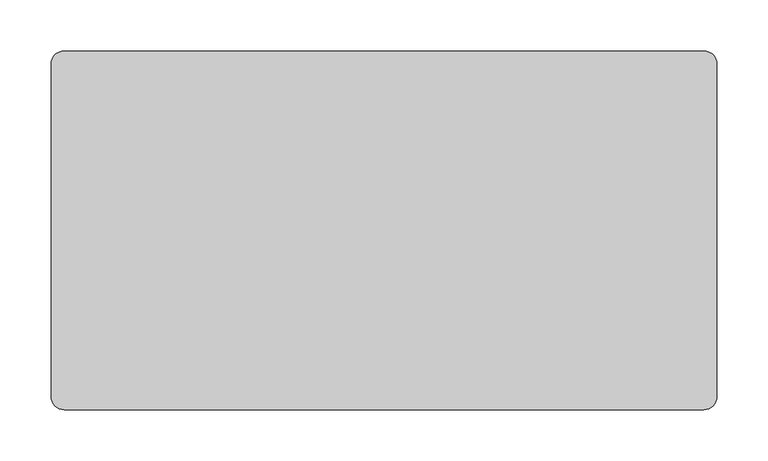
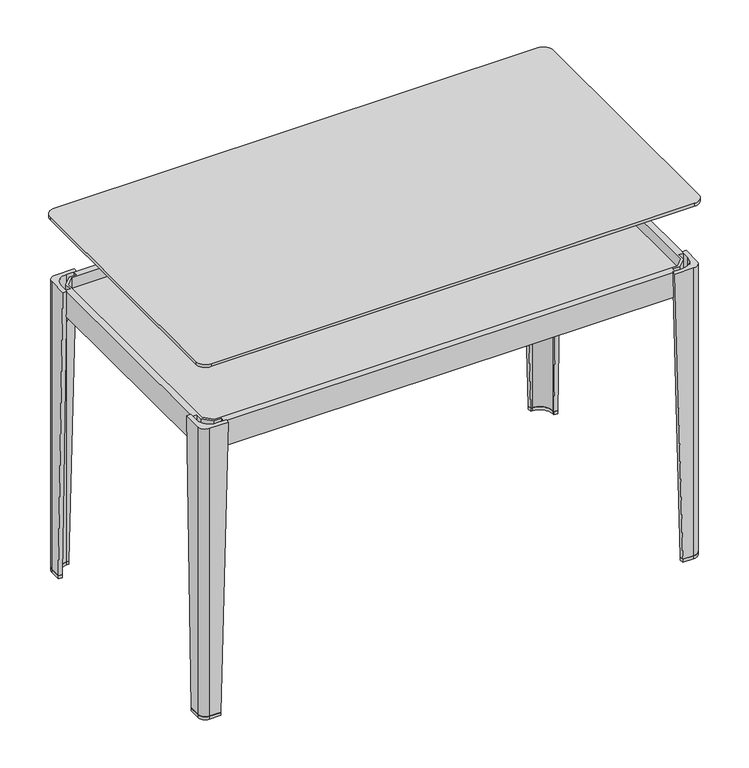
"""IFC4 building model written with IfcOpenShell, lengths in millimetres: furniture geometry."""

import ifcopenshell
import ifcopenshell.guid

model = None  # the IFC model being written
_history = None  # IfcOwnerHistory: only IFC2X3 demands one
_inside = {}  # id of a spatial element -> (the spatial element, [elements in it])
_under = {}  # id of a project, library or spatial element -> (it, [spatial elements below it])
_declared = {}  # id of a project -> (the project, [libraries it declares])
_typed = {}  # id of a type object -> (the type object, [elements of that type])
_made_of = {}  # id of a material, layer set ... -> (it, [elements and type objects made of it])


def new_model(schema):
    """Start an empty IFC model of exactly this schema.

    Asked for "IFC4X3", IfcOpenShell would pick the latest addendum, in which some entities
    have other attributes; the version numbers below select the first issue.
    IFC2X3 requires an IfcOwnerHistory on every rooted entity: one is made here for all.
    """
    global model, _history
    if schema == "IFC4X3":
        model = ifcopenshell.file(schema_version=(4, 3, 0, 0))
    else:
        model = ifcopenshell.file(schema=schema)
    _inside.clear()
    _under.clear()
    _declared.clear()
    _typed.clear()
    _made_of.clear()
    _history = None
    if model.schema == "IFC2X3":
        org = make("IfcOrganization", Name="unknown")
        user = make(
            "IfcPersonAndOrganization",
            ThePerson=make("IfcPerson", FamilyName="unknown"),
            TheOrganization=org,
        )
        app = make(
            "IfcApplication",
            ApplicationDeveloper=org,
            Version="unknown",
            ApplicationFullName="unknown",
            ApplicationIdentifier="unknown",
        )
        _history = make(
            "IfcOwnerHistory",
            OwningUser=user,
            OwningApplication=app,
            ChangeAction="ADDED",
            CreationDate=0,
        )
    return model


def make(cls, **values):
    """One entity of the class cls with the attributes given. An attribute that is None is left unset."""
    return model.create_entity(
        cls, **{name: value for name, value in values.items() if value is not None}
    )


def rooted(cls, **values):
    """An entity with a GlobalId (a new one), such as an element, a storey or a relation."""
    return make(cls, GlobalId=ifcopenshell.guid.new(), OwnerHistory=_history, **values)


def si_unit(unit_type, name, prefix=None):
    """IfcSIUnit, for example si_unit("LENGTHUNIT", "METRE", prefix="MILLI")."""
    return make("IfcSIUnit", UnitType=unit_type, Prefix=prefix, Name=name)


def assignment(units):
    """IfcUnitAssignment: the units of a project."""
    return None if units is None else make("IfcUnitAssignment", Units=units)


def point(xyz):
    """IfcCartesianPoint."""
    return None if xyz is None else make("IfcCartesianPoint", Coordinates=xyz)


def direction(xyz):
    """IfcDirection."""
    return None if xyz is None else make("IfcDirection", DirectionRatios=xyz)


def frame(location, z_axis=None, x_axis=None):
    """IfcAxis2Placement3D, a coordinate frame: its origin and axes. An axis left out is left unset."""
    return make(
        "IfcAxis2Placement3D",
        Location=point(location),
        Axis=direction(z_axis),
        RefDirection=direction(x_axis),
    )


def frame_2d(location, x_axis=None):
    """IfcAxis2Placement2D, a coordinate frame in the plane: its origin and x axis."""
    return make(
        "IfcAxis2Placement2D", Location=point(location), RefDirection=direction(x_axis)
    )


def origin():
    """The frame at (0, 0, 0) with its axes left unset."""
    return frame((0.0, 0.0, 0.0))


def place(relative_to, where):
    """IfcLocalPlacement: puts the frame where relative to a parent placement (None: the world)."""
    return make(
        "IfcLocalPlacement", PlacementRelTo=relative_to, RelativePlacement=where
    )


def context(
    kind, dimensions, precision=None, world=None, true_north=None, identifier=None
):
    """IfcGeometricRepresentationContext, for example the 3D "Model" context."""
    return make(
        "IfcGeometricRepresentationContext",
        ContextIdentifier=identifier,
        ContextType=kind,
        CoordinateSpaceDimension=dimensions,
        Precision=precision,
        WorldCoordinateSystem=world,
        TrueNorth=true_north,
    )


def project(units=None, contexts=None):
    """IfcProject with its units and contexts."""
    return rooted(
        "IfcProject",
        Name="project",
        RepresentationContexts=contexts,
        UnitsInContext=assignment(units),
    )


def spatial(cls, under=None, at=None, **own):
    """A site, building, storey or space (cls), placed at a placement, below another one or the project."""
    s = rooted(cls, ObjectPlacement=at, **own)
    if under is not None:
        _under.setdefault(under.id(), (under, []))[1].append(s)
    return s


def polyline(points):
    """IfcPolyline through the points."""
    return make("IfcPolyline", Points=[point(p) for p in points])


def circle_curve(where, radius):
    """IfcCircle in the frame where."""
    return make("IfcCircle", Position=where, Radius=radius)


def trimmed(basis, trim1, trim2, sense, master):
    """IfcTrimmedCurve: the piece of a basis curve between two trims."""
    return make(
        "IfcTrimmedCurve",
        BasisCurve=basis,
        Trim1=trim1,
        Trim2=trim2,
        SenseAgreement=sense,
        MasterRepresentation=master,
    )


def segment(curve, same_sense, transition):
    """IfcCompositeCurveSegment."""
    return make(
        "IfcCompositeCurveSegment",
        Transition=transition,
        SameSense=same_sense,
        ParentCurve=curve,
    )


def composite_curve(segments, self_intersect=None):
    """IfcCompositeCurve: segments joined end to end."""
    return make("IfcCompositeCurve", Segments=segments, SelfIntersect=self_intersect)


def outline(outer, holes=None, kind="AREA"):
    """IfcArbitraryClosedProfileDef: a profile drawn as a closed curve; with holes, ...WithVoids."""
    if holes is None:
        return make("IfcArbitraryClosedProfileDef", ProfileType=kind, OuterCurve=outer)
    return make(
        "IfcArbitraryProfileDefWithVoids",
        ProfileType=kind,
        OuterCurve=outer,
        InnerCurves=holes,
    )


def extrude(swept, where, along, depth):
    """IfcExtrudedAreaSolid: the profile swept, set in the frame where, extruded along a direction by depth."""
    return make(
        "IfcExtrudedAreaSolid",
        SweptArea=swept,
        Position=where,
        ExtrudedDirection=direction(along),
        Depth=depth,
    )


def shape(context_of_items, identifier, shape_type, items):
    """IfcShapeRepresentation: the items that make up one representation, for example the "Body"."""
    return make(
        "IfcShapeRepresentation",
        ContextOfItems=context_of_items,
        RepresentationIdentifier=identifier,
        RepresentationType=shape_type,
        Items=items,
    )


def source(mapping_origin, context_of_items, identifier, shape_type, items):
    """IfcRepresentationMap: a shape defined once, which mapped items show again and again."""
    return make(
        "IfcRepresentationMap",
        MappingOrigin=mapping_origin,
        MappedRepresentation=shape(context_of_items, identifier, shape_type, items),
    )


def transform(
    local_origin,
    x_axis=None,
    y_axis=None,
    z_axis=None,
    scale=None,
    scale2=None,
    scale3=None,
    uniform=True,
):
    """IfcCartesianTransformationOperator3D, or its non-uniform kind. x_axis, y_axis, z_axis: its Axis1, 2, 3."""
    if uniform:
        return make(
            "IfcCartesianTransformationOperator3D",
            Axis1=direction(x_axis),
            Axis2=direction(y_axis),
            LocalOrigin=point(local_origin),
            Scale=scale,
            Axis3=direction(z_axis),
        )
    return make(
        "IfcCartesianTransformationOperator3DnonUniform",
        Axis1=direction(x_axis),
        Axis2=direction(y_axis),
        LocalOrigin=point(local_origin),
        Scale=scale,
        Axis3=direction(z_axis),
        Scale2=scale2,
        Scale3=scale3,
    )


def mapped(mapping_source, mapping_target):
    """IfcMappedItem: shows the shape of a source again, moved by a transform."""
    return make(
        "IfcMappedItem", MappingSource=mapping_source, MappingTarget=mapping_target
    )


def made_of(thing, what):
    """Note that an element or type object is made of a material, layer set ...; save() writes the relation."""
    if what is not None:
        _made_of.setdefault(what.id(), (what, []))[1].append(thing)
    return thing


def element(
    cls,
    number,
    at=None,
    inside=None,
    cuts=None,
    type_object=None,
    material=None,
    context=None,
    identifier="Body",
    shape_type=None,
    held_by="IfcProductDefinitionShape",
    body=None,
    shapes=None,
    **own,
):
    """One element of the class cls, such as IfcWall. Its Tag is "e" and its number.

    at: its placement. inside: the storey or other place that contains it. cuts: it is an
    opening in that element (IfcRelVoidsElement). A single representation is given by context,
    identifier, shape_type and body (its items); several are given by shapes. held_by: the class
    of the entity that holds the representations. save() writes the other relations.
    """
    e = rooted(cls, Tag="e%d" % number, ObjectPlacement=at, **own)
    if body is not None:
        shapes = [shape(context, identifier, shape_type, body)]
    if shapes is not None:
        e.Representation = make(held_by, Representations=shapes)
    if inside is not None:
        _inside.setdefault(inside.id(), (inside, []))[1].append(e)
    if cuts is not None:
        rooted(
            "IfcRelVoidsElement", RelatingBuildingElement=cuts, RelatedOpeningElement=e
        )
    if type_object is not None:
        _typed.setdefault(type_object.id(), (type_object, []))[1].append(e)
    return made_of(e, material)


def aggregate(whole, parts):
    """IfcRelAggregates: a whole, such as a stair, and the parts it consists of."""
    return rooted("IfcRelAggregates", RelatingObject=whole, RelatedObjects=parts)


def save(model, path):
    """Write the relations noted so far, then the file.

    IfcRelAggregates (storeys below a building ...), IfcRelContainedInSpatialStructure (elements
    in a storey), IfcRelDefinesByType, IfcRelAssociatesMaterial and IfcRelDeclares: one each for
    every whole, place, type object, material and project.
    """
    for whole, parts in _under.values():
        aggregate(whole, parts)
    for where, things in _inside.values():
        rooted(
            "IfcRelContainedInSpatialStructure",
            RelatedElements=things,
            RelatingStructure=where,
        )
    for kind, things in _typed.values():
        rooted("IfcRelDefinesByType", RelatedObjects=things, RelatingType=kind)
    for what, things in _made_of.values():
        rooted("IfcRelAssociatesMaterial", RelatedObjects=things, RelatingMaterial=what)
    for by, libraries in _declared.values():
        rooted("IfcRelDeclares", RelatingContext=by, RelatedDefinitions=libraries)
    model.write(path)


def plane_surface(at):
    """IfcPlane: the flat surface through the origin of the frame at, square to its z axis."""
    return make("IfcPlane", Position=at)


def cylinder_surface(at, radius):
    """IfcCylindricalSurface: all points at the distance radius from the z axis of the frame at."""
    return make("IfcCylindricalSurface", Position=at, Radius=radius)


def revolved_surface(curve, axis_point, axis_direction):
    """IfcSurfaceOfRevolution: the curve turned about the line through axis_point along axis_direction."""
    return make(
        "IfcSurfaceOfRevolution",
        SweptCurve=make("IfcArbitraryOpenProfileDef", ProfileType="CURVE", Curve=curve),
        AxisPosition=make("IfcAxis1Placement", Location=point(axis_point), Axis=direction(axis_direction)),
    )


def advanced_brep(points, edges, surfaces, faces):
    """IfcAdvancedBrep: a solid bounded by faces that lie on surfaces and meet in shared edges.

    An edge is (start, end): straight between two places in points (the first is 0);
    or (start, end, curve); or (start, end, curve, False) where it runs against its curve.
    A face is (place in surfaces, loops), or (place, loops, False) where it looks against
    its surface's normal. A loop lists edges by number (the first is 1), with a minus sign
    where the edge is run from its end to its start. The first loop is the outer one.
    """
    corners = [point(p) for p in points]
    vertices = [make("IfcVertexPoint", VertexGeometry=c) for c in corners]
    made = []
    for start, end, *more in edges:
        made.append(
            make(
                "IfcEdgeCurve",
                EdgeStart=vertices[start],
                EdgeEnd=vertices[end],
                EdgeGeometry=more[0] if more else make("IfcPolyline", Points=[corners[start], corners[end]]),
                SameSense=more[1] if len(more) > 1 else True,
            )
        )
    hull = []
    for where, loops, *sense in faces:
        bounds = []
        for j, loop in enumerate(loops):
            ring = [make("IfcOrientedEdge", EdgeElement=made[abs(k) - 1], Orientation=k > 0) for k in loop]
            bounds.append(
                make(
                    "IfcFaceOuterBound" if j == 0 else "IfcFaceBound",
                    Bound=make("IfcEdgeLoop", EdgeList=ring),
                    Orientation=True,
                )
            )
        hull.append(make("IfcAdvancedFace", Bounds=bounds, FaceSurface=surfaces[where], SameSense=sense[0] if sense else True))
    return make("IfcAdvancedBrep", Outer=make("IfcClosedShell", CfsFaces=hull))


def furniture_ca3171ab(model_context):
    return source(origin(), model_context, "Body", "SolidModel", [
        advanced_brep(
        [(156.1747115, -150.3399901, 276.4600147), (162.174712, -150.3399901, 276.4600147), (162.174712, -141.2900835, 276.4600147), (145.2247824, -124.3400512, 276.4600147), (136.1747127, -124.3399964, 276.4600147), (136.1747127, -130.3400481, 276.4600147), (145.5681096, -130.3400481, 276.4600147), (156.1747115, -140.9465954, 276.4600147), (156.1747115, -142.5065293, 261.4600037), (156.1747115, -140.9465954, 261.4600037), (145.5681096, -130.3400481, 261.4600037), (144.0082257, -130.3400481, 261.4600037), (144.0082257, -124.3400439, 261.4600037), (145.2247824, -124.3400512, 261.4600037), (162.174712, -141.2900835, 261.4600037), (162.174712, -142.5065293, 261.4600037)],
        [
            (0, 1),
            (1, 2),
            (2, 3, circle_curve(frame((145.2246797, -141.2900835, 276.4600147), z_axis=(0.0, 0.0, 1.0), x_axis=(0.0, 1.0, 0.0)), 16.9500323)),
            (3, 4),
            (4, 5),
            (5, 6),
            (6, 7),
            (7, 0),
            (8, 9),
            (9, 10),
            (10, 11),
            (11, 12),
            (12, 13),
            (13, 14, circle_curve(frame((145.2246797, -141.2900835, 261.4600037), z_axis=(0.0, 0.0, -1.0), x_axis=(0.0, 1.0, 0.0)), 16.9500323)),
            (14, 15),
            (15, 8),
            (15, 1),
            (0, 8),
            (14, 2),
            (13, 3),
            (12, 4),
            (11, 5),
            (10, 6),
            (9, 7),
        ],
        [
            plane_surface(frame((149.9801455, -136.5346004, 276.4600147), z_axis=(0.0, 0.0, 1.0), x_axis=(1.0, 0.0, 0.0))),
            plane_surface(frame((151.9385238, -134.5762411, 261.4600037), z_axis=(0.0, 0.0, -1.0), x_axis=(1.0, 0.0, 0.0))),
            plane_surface(frame((159.1747117, -142.5065293, 261.4600037), z_axis=(0.0, -0.8864062173017687, -0.46290821760773443), x_axis=(1.0, 0.0, 0.0))),
            plane_surface(frame((162.174712, -141.8983064, 261.4600037), z_axis=(1.0, 0.0, 0.0), x_axis=(0.0, 1.0, 0.0))),
            cylinder_surface(frame((145.2246797, -141.2900835, 261.4600037), z_axis=(0.0, 0.0, 1.0), x_axis=(0.0, 1.0, 0.0)), 16.9500323),
            plane_surface(frame((144.6165041, -124.3400475, 261.4600037), z_axis=(6.055831599460142e-06, 0.9999999999816634, 0.0), x_axis=(-0.9999999999816634, 6.055831599460142e-06, 0.0))),
            plane_surface(frame((144.0082257, -127.340046, 261.4600037), z_axis=(-0.8864049508100555, 0.0, -0.46291064275886235), x_axis=(0.0, -1.0, 0.0))),
            plane_surface(frame((144.7881677, -130.3400481, 261.4600037), z_axis=(0.0, -1.0, 0.0), x_axis=(1.0, 0.0, 0.0))),
            plane_surface(frame((150.8714105, -135.6433217, 261.4600037), z_axis=(-0.7071049644303125, -0.7071085979381149, 0.0), x_axis=(0.7071085979381149, -0.7071049644303125, 0.0))),
            plane_surface(frame((156.1747115, -141.7265623, 261.4600037), z_axis=(-1.0, 0.0, 0.0), x_axis=(0.0, -1.0, 0.0))),
        ],
        [
            (0, [[1, 2, 3, 4, 5, 6, 7, 8]]),
            (1, [[9, 10, 11, 12, 13, 14, 15, 16]]),
            (2, [[-16, 17, -1, 18]]),
            (3, [[-15, 19, -2, -17]]),
            (4, [[-14, 20, -3, -19]]),
            (5, [[-13, 21, -4, -20]]),
            (6, [[-12, 22, -5, -21]]),
            (7, [[-11, 23, -6, -22]]),
            (8, [[-10, 24, -7, -23]]),
            (9, [[-9, -18, -8, -24]]),
        ],
    ),
        advanced_brep(
        [(-467.0652878, -150.3399901, 276.4600147), (-467.0652878, -140.9465954, 276.4600147), (-456.4586859, -130.3400481, 276.4600147), (-447.065289, -130.3400481, 276.4600147), (-447.065289, -124.3399964, 276.4600147), (-456.1153587, -124.3400512, 276.4600147), (-473.0652883, -141.2900835, 276.4600147), (-473.0652883, -150.3399901, 276.4600147), (-467.0652878, -142.5065293, 261.4600037), (-473.0652883, -142.5065293, 261.4600037), (-473.0652883, -141.2900835, 261.4600037), (-456.1153587, -124.3400512, 261.4600037), (-454.898802, -124.3400439, 261.4600037), (-454.898802, -130.3400481, 261.4600037), (-456.4586859, -130.3400481, 261.4600037), (-467.0652878, -140.9465954, 261.4600037)],
        [
            (0, 1),
            (1, 2),
            (2, 3),
            (3, 4),
            (4, 5),
            (5, 6, circle_curve(frame((-456.115256, -141.2900835, 276.4600147), z_axis=(0.0, 0.0, 1.0), x_axis=(-0.9999999999816634, -6.055831308072628e-06, 0.0)), 16.9500323)),
            (6, 7),
            (7, 0),
            (8, 9),
            (9, 10),
            (10, 11, circle_curve(frame((-456.115256, -141.2900835, 261.4600037), z_axis=(0.0, 0.0, -1.0), x_axis=(-0.9999999999816634, -6.055831308072628e-06, 0.0)), 16.9500323)),
            (11, 12),
            (12, 13),
            (13, 14),
            (14, 15),
            (15, 8),
            (8, 0),
            (7, 9),
            (6, 10),
            (5, 11),
            (4, 12),
            (3, 13),
            (2, 14),
            (1, 15),
        ],
        [
            plane_surface(frame((-460.8707218, -136.5346004, 276.4600147), z_axis=(0.0, 0.0, 1.0), x_axis=(0.0, 1.0, 0.0))),
            plane_surface(frame((-462.8291001, -134.5762411, 261.4600037), z_axis=(0.0, 0.0, -1.0), x_axis=(0.0, 1.0, 0.0))),
            plane_surface(frame((-470.065288, -142.5065293, 261.4600037), z_axis=(0.0, -0.8864062173018147, -0.46290821760764644), x_axis=(1.0, 0.0, 0.0))),
            plane_surface(frame((-473.0652883, -141.8983064, 261.4600037), z_axis=(-1.0, 0.0, 0.0), x_axis=(0.0, -1.0, 0.0))),
            cylinder_surface(frame((-456.115256, -141.2900835, 261.4600037), z_axis=(0.0, 0.0, 1.0), x_axis=(-0.9999999999816634, -6.055831308072628e-06, 0.0)), 16.9500323),
            plane_surface(frame((-455.5070804, -124.3400475, 261.4600037), z_axis=(-6.05583151719894e-06, 0.9999999999816634, 0.0), x_axis=(-0.9999999999816634, -6.05583151719894e-06, 0.0))),
            plane_surface(frame((-454.898802, -127.340046, 261.4600037), z_axis=(0.8864049508100531, 0.0, -0.4629106427588671), x_axis=(0.0, 1.0, 0.0))),
            plane_surface(frame((-455.678744, -130.3400481, 261.4600037), z_axis=(0.0, -1.0, 0.0), x_axis=(1.0, 0.0, 0.0))),
            plane_surface(frame((-461.7619868, -135.6433217, 261.4600037), z_axis=(0.7071049644302342, -0.7071085979381933, 0.0), x_axis=(0.7071085979381933, 0.7071049644302342, 0.0))),
            plane_surface(frame((-467.0652878, -141.7265623, 261.4600037), z_axis=(1.0, 0.0, 0.0), x_axis=(0.0, 1.0, 0.0))),
        ],
        [
            (0, [[1, 2, 3, 4, 5, 6, 7, 8]]),
            (1, [[9, 10, 11, 12, 13, 14, 15, 16]]),
            (2, [[-9, 17, -8, 18]]),
            (3, [[-10, -18, -7, 19]]),
            (4, [[-11, -19, -6, 20]]),
            (5, [[-12, -20, -5, 21]]),
            (6, [[-13, -21, -4, 22]]),
            (7, [[-14, -22, -3, 23]]),
            (8, [[-15, -23, -2, 24]]),
            (9, [[-16, -24, -1, -17]]),
        ],
    ),
        advanced_brep(
        [(156.1747115, -433.8600099, 276.4600147), (156.1747115, -443.2534046, 276.4600147), (145.5681096, -453.8599519, 276.4600147), (136.1747127, -453.8599519, 276.4600147), (136.1747127, -459.8600036, 276.4600147), (145.2247824, -459.8599488, 276.4600147), (162.174712, -442.9099165, 276.4600147), (162.174712, -433.8600099, 276.4600147), (156.1747115, -441.6934707, 261.4600037), (162.174712, -441.6934707, 261.4600037), (162.174712, -442.9099165, 261.4600037), (145.2247824, -459.8599488, 261.4600037), (144.0082257, -459.8599561, 261.4600037), (144.0082257, -453.8599519, 261.4600037), (145.5681096, -453.8599519, 261.4600037), (156.1747115, -443.2534046, 261.4600037)],
        [
            (0, 1),
            (1, 2),
            (2, 3),
            (3, 4),
            (4, 5),
            (5, 6, circle_curve(frame((145.2246797, -442.9099165, 276.4600147), z_axis=(0.0, 0.0, 1.0), x_axis=(0.9999999999816634, 6.055831301732914e-06, 0.0)), 16.9500323)),
            (6, 7),
            (7, 0),
            (8, 9),
            (9, 10),
            (10, 11, circle_curve(frame((145.2246797, -442.9099165, 261.4600037), z_axis=(0.0, 0.0, -1.0), x_axis=(0.9999999999816634, 6.055831301732914e-06, 0.0)), 16.9500323)),
            (11, 12),
            (12, 13),
            (13, 14),
            (14, 15),
            (15, 8),
            (8, 0),
            (7, 9),
            (6, 10),
            (5, 11),
            (4, 12),
            (3, 13),
            (2, 14),
            (1, 15),
        ],
        [
            plane_surface(frame((149.9801455, -447.6653996, 276.4600147), z_axis=(0.0, 0.0, 1.0), x_axis=(0.0, -1.0, 0.0))),
            plane_surface(frame((151.9385238, -449.6237589, 261.4600037), z_axis=(0.0, 0.0, -1.0), x_axis=(0.0, -1.0, 0.0))),
            plane_surface(frame((159.1747117, -441.6934707, 261.4600037), z_axis=(0.0, 0.8864062173018016, -0.4629082176076716), x_axis=(-1.0, 0.0, 0.0))),
            plane_surface(frame((162.174712, -442.3016936, 261.4600037), z_axis=(1.0, 0.0, 0.0), x_axis=(0.0, 1.0, 0.0))),
            cylinder_surface(frame((145.2246797, -442.9099165, 261.4600037), z_axis=(0.0, 0.0, 1.0), x_axis=(0.9999999999816634, 6.055831301732914e-06, 0.0)), 16.9500323),
            plane_surface(frame((144.6165041, -459.8599525, 261.4600037), z_axis=(6.0558315620688244e-06, -0.9999999999816636, 0.0), x_axis=(0.9999999999816636, 6.0558315620688244e-06, 0.0))),
            plane_surface(frame((144.0082257, -456.859954, 261.4600037), z_axis=(-0.8864049508100555, 0.0, -0.46291064275886235), x_axis=(0.0, -1.0, 0.0))),
            plane_surface(frame((144.7881677, -453.8599519, 261.4600037), z_axis=(0.0, 1.0, 0.0), x_axis=(-1.0, 0.0, 0.0))),
            plane_surface(frame((150.8714105, -448.5566783, 261.4600037), z_axis=(-0.7071049644302505, 0.7071085979381769, 0.0), x_axis=(-0.7071085979381769, -0.7071049644302505, 0.0))),
            plane_surface(frame((156.1747115, -442.4734377, 261.4600037), z_axis=(-1.0, 0.0, 0.0), x_axis=(0.0, -1.0, 0.0))),
        ],
        [
            (0, [[1, 2, 3, 4, 5, 6, 7, 8]]),
            (1, [[9, 10, 11, 12, 13, 14, 15, 16]]),
            (2, [[-9, 17, -8, 18]]),
            (3, [[-10, -18, -7, 19]]),
            (4, [[-11, -19, -6, 20]]),
            (5, [[-12, -20, -5, 21]]),
            (6, [[-13, -21, -4, 22]]),
            (7, [[-14, -22, -3, 23]]),
            (8, [[-15, -23, -2, 24]]),
            (9, [[-16, -24, -1, -17]]),
        ],
    ),
        advanced_brep(
        [(-467.0652878, -433.8600099, 276.4600147), (-473.0652883, -433.8600099, 276.4600147), (-473.0652883, -442.9099165, 276.4600147), (-456.1153587, -459.8599488, 276.4600147), (-447.065289, -459.8600036, 276.4600147), (-447.065289, -453.8599519, 276.4600147), (-456.4586859, -453.8599519, 276.4600147), (-467.0652878, -443.2534046, 276.4600147), (-467.0652878, -441.6934707, 261.4600037), (-467.0652878, -443.2534046, 261.4600037), (-456.4586859, -453.8599519, 261.4600037), (-454.898802, -453.8599519, 261.4600037), (-454.898802, -459.8599561, 261.4600037), (-456.1153587, -459.8599488, 261.4600037), (-473.0652883, -442.9099165, 261.4600037), (-473.0652883, -441.6934707, 261.4600037)],
        [
            (0, 1),
            (1, 2),
            (2, 3, circle_curve(frame((-456.115256, -442.9099165, 276.4600147), z_axis=(0.0, 0.0, 1.0), x_axis=(0.0, -1.0, 0.0)), 16.9500323)),
            (3, 4),
            (4, 5),
            (5, 6),
            (6, 7),
            (7, 0),
            (8, 9),
            (9, 10),
            (10, 11),
            (11, 12),
            (12, 13),
            (13, 14, circle_curve(frame((-456.115256, -442.9099165, 261.4600037), z_axis=(0.0, 0.0, -1.0), x_axis=(0.0, -1.0, 0.0)), 16.9500323)),
            (14, 15),
            (15, 8),
            (15, 1),
            (0, 8),
            (14, 2),
            (13, 3),
            (12, 4),
            (11, 5),
            (10, 6),
            (9, 7),
        ],
        [
            plane_surface(frame((-460.8707218, -447.6653996, 276.4600147), z_axis=(0.0, 0.0, 1.0), x_axis=(-1.0, 0.0, 0.0))),
            plane_surface(frame((-462.8291001, -449.6237589, 261.4600037), z_axis=(0.0, 0.0, -1.0), x_axis=(-1.0, 0.0, 0.0))),
            plane_surface(frame((-470.065288, -441.6934707, 261.4600037), z_axis=(0.0, 0.8864062173018442, -0.4629082176075899), x_axis=(-1.0, 0.0, 0.0))),
            plane_surface(frame((-473.0652883, -442.3016936, 261.4600037), z_axis=(-1.0, 0.0, 0.0), x_axis=(0.0, -1.0, 0.0))),
            cylinder_surface(frame((-456.115256, -442.9099165, 261.4600037), z_axis=(0.0, 0.0, 1.0), x_axis=(0.0, -1.0, 0.0)), 16.9500323),
            plane_surface(frame((-455.5070804, -459.8599525, 261.4600037), z_axis=(-6.055831547112392e-06, -0.9999999999816634, 0.0), x_axis=(0.9999999999816634, -6.055831547112392e-06, 0.0))),
            plane_surface(frame((-454.898802, -456.859954, 261.4600037), z_axis=(0.8864049508100547, 0.0, -0.4629106427588639), x_axis=(0.0, 1.0, 0.0))),
            plane_surface(frame((-455.678744, -453.8599519, 261.4600037), z_axis=(0.0, 1.0, 0.0), x_axis=(-1.0, 0.0, 0.0))),
            plane_surface(frame((-461.7619868, -448.5566783, 261.4600037), z_axis=(0.70710496443025, 0.7071085979381775, 0.0), x_axis=(-0.7071085979381775, 0.70710496443025, 0.0))),
            plane_surface(frame((-467.0652878, -442.4734377, 261.4600037), z_axis=(1.0, 0.0, 0.0), x_axis=(0.0, 1.0, 0.0))),
        ],
        [
            (0, [[1, 2, 3, 4, 5, 6, 7, 8]]),
            (1, [[9, 10, 11, 12, 13, 14, 15, 16]]),
            (2, [[-16, 17, -1, 18]]),
            (3, [[-15, 19, -2, -17]]),
            (4, [[-14, 20, -3, -19]]),
            (5, [[-13, 21, -4, -20]]),
            (6, [[-12, 22, -5, -21]]),
            (7, [[-11, 23, -6, -22]]),
            (8, [[-10, 24, -7, -23]]),
            (9, [[-9, -18, -8, -24]]),
        ],
    ),
        extrude(outline(polyline([(-464.5652882, -142.8399859), (-454.5652877, -132.8399854), (143.6747146, -132.8399854), (153.6746856, -142.8399859), (153.6746856, -441.3599882), (143.6747146, -451.3599592), (-454.5652877, -451.3599592), (-464.5652882, -441.3599882), (-464.5652882, -142.8399859)])), frame((0.0, 0.0, 276.4600147), z_axis=(0.0, 0.0, 1.0), x_axis=(1.0, 0.0, 0.0)), (0.0, 0.0, 1.0), 19.9999965),
        extrude(outline(polyline([(-473.0652883, -150.3399846), (-467.0652878, -150.3399846), (-467.0652878, -140.9465877), (-456.4586859, -130.3693149), (-447.065289, -130.3693149), (-447.065289, -124.3761924), (136.1747363, -124.3797244), (136.1747363, -130.3693149), (145.568131, -130.3693149), (156.1746783, -140.9465877), (156.1746783, -150.3399846), (162.174712, -150.3399846), (162.174712, -433.8600099), (156.1746783, -433.8600099), (156.1746783, -443.2534046), (145.568131, -453.8321305), (136.1747363, -453.8321305), (136.1747363, -459.8202758), (-447.065289, -459.8238078), (-447.065289, -453.830623), (-456.4586859, -453.830623), (-467.0652878, -443.2534046), (-467.0652878, -433.8600099), (-473.0652883, -433.8600099), (-473.0652883, -150.3399846)]), holes=[polyline([(-454.5652877, -451.3321377), (143.6747146, -451.3321377), (153.6746856, -441.3599882), (153.6746856, -142.8399859), (143.6747146, -132.8693144), (-454.5652877, -132.8693144), (-464.5652882, -142.8399859), (-464.5652882, -441.3599882), (-454.5652877, -451.3321377)])]), frame((0.0, 0.0, 276.4600147), z_axis=(0.0, 0.0, 1.0), x_axis=(1.0, 0.0, 0.0)), (0.0, 0.0, 1.0), 34.5000017),
        extrude(outline(composite_curve([segment(polyline([(-454.0652887, -119.3401441), (-454.0652887, -124.3400388), (-456.1153587, -124.3400512)]), True, "CONTINUOUS"), segment(trimmed(circle_curve(frame_2d((-456.115256, -141.2900835)), 16.9500323), [point((-456.1153587, -124.3400512))], [point((-473.0652883, -141.2900835))], True, "CARTESIAN"), True, "CONTINUOUS"), segment(polyline([(-473.0652883, -141.2900835), (-473.0652883, -143.3399813), (-478.0650423, -143.3399813), (-478.0650423, -128.9449672)]), True, "CONTINUOUS"), segment(trimmed(circle_curve(frame_2d((-468.4602193, -128.9449672)), 9.604823), [point((-478.0650423, -128.9449672))], [point((-468.4602193, -119.3401441))], False, "CARTESIAN"), True, "CONTINUOUS"), segment(polyline([(-468.4602193, -119.3401441), (-454.0652887, -119.3401441)]), True, "CONTINUOUS")], self_intersect=False)), frame((0.0, 0.0, -85.8599942), z_axis=(0.0, 0.0, 1.0), x_axis=(1.0, 0.0, 0.0)), (0.0, 0.0, 1.0), 4.0),
        advanced_brep(
        [(-468.4602193, -119.3401441, 311.4600223), (-478.0650423, -128.9449672, 311.4600223), (-478.0650423, -153.340025, 311.4600223), (-473.0652883, -153.340025, 311.4600223), (-473.0652883, -141.2900835, 311.4600223), (-456.1153587, -124.3400512, 311.4600223), (-444.0652881, -124.3399783, 311.4600223), (-444.0652881, -119.3401441, 311.4600223), (-468.4602193, -119.3401441, -81.8599942), (-454.0652887, -119.3401441, -81.8599942), (-454.0652887, -124.3400388, -81.8599942), (-456.1153587, -124.3400512, -81.8599942), (-473.0652883, -141.2900835, -81.8599942), (-473.0652883, -143.3399813, -81.8599942), (-478.0650423, -143.3399813, -81.8599942), (-478.0650423, -128.9449672, -81.8599942)],
        [
            (0, 1, circle_curve(frame((-468.4602193, -128.9449672, 311.4600223), z_axis=(0.0, 0.0, 1.0), x_axis=(-1.0, 0.0, 0.0)), 9.604823)),
            (1, 2),
            (2, 3),
            (3, 4),
            (4, 5, circle_curve(frame((-456.115256, -141.2900835, 311.4600223), z_axis=(0.0, 0.0, -1.0), x_axis=(0.0, 1.0, 0.0)), 16.9500323)),
            (5, 6),
            (6, 7),
            (7, 0),
            (8, 9),
            (9, 10),
            (10, 11),
            (11, 12, circle_curve(frame((-456.115256, -141.2900835, -81.8599942), z_axis=(0.0, 0.0, 1.0), x_axis=(0.0, 1.0, 0.0)), 16.9500323)),
            (12, 13),
            (13, 14),
            (14, 15),
            (15, 8, circle_curve(frame((-468.4602193, -128.9449672, -81.8599942), z_axis=(0.0, 0.0, -1.0), x_axis=(-1.0, 0.0, 0.0)), 9.604823)),
            (10, 6),
            (5, 11),
            (14, 2),
            (1, 15),
            (0, 8),
            (7, 9),
            (13, 3),
            (4, 12),
        ],
        [
            plane_surface(frame((-464.3708519, -133.0344273, 311.4600223), z_axis=(0.0, 0.0, 1.0), x_axis=(0.0, 1.0, 0.0))),
            plane_surface(frame((-466.8708521, -130.534424, -81.8599942), z_axis=(0.0, 0.0, -1.0), x_axis=(0.0, 1.0, 0.0))),
            plane_surface(frame((-455.0903237, -124.340045, -81.8599942), z_axis=(6.055830889075174e-06, -0.9999999999816634, 0.0), x_axis=(0.9999999999816634, 6.055830889075174e-06, 0.0))),
            plane_surface(frame((-478.0650423, -136.1424742, -81.8599942), z_axis=(-1.0, 0.0, 0.0), x_axis=(0.0, -1.0, 0.0))),
            cylinder_surface(frame((-468.4602193, -128.9449672, -81.8599942), z_axis=(0.0, 0.0, 1.0), x_axis=(-1.0, 0.0, 0.0)), 9.604823),
            plane_surface(frame((-461.262754, -119.3401441, -81.8599942), z_axis=(0.0, 1.0, 0.0), x_axis=(-1.0, 0.0, 0.0))),
            plane_surface(frame((-454.0652887, -121.8400915, -81.8599942), z_axis=(0.9996769516953006, 0.0, -0.025416377578083762), x_axis=(0.0, 1.0, 0.0))),
            plane_surface(frame((-475.5651653, -143.3399813, -81.8599942), z_axis=(0.0, -0.9996769489088885, -0.025416487173008418), x_axis=(1.0, 0.0, 0.0))),
            revolved_surface(polyline([(-456.115256, -124.3400512, 311.4600223), (-456.115256, -124.3400512, -81.8599942)]), (-456.115256, -141.2900835, -81.8599942), (0.0, 0.0, 1.0)),
            plane_surface(frame((-473.0652883, -142.3150324, -81.8599942), z_axis=(1.0, 0.0, 0.0), x_axis=(0.0, 1.0, 0.0))),
        ],
        [
            (0, [[1, 2, 3, 4, 5, 6, 7, 8]]),
            (1, [[9, 10, 11, 12, 13, 14, 15, 16]]),
            (2, [[-11, 17, -6, 18]]),
            (3, [[-15, 19, -2, 20]]),
            (4, [[-16, -20, -1, 21]]),
            (5, [[-9, -21, -8, 22]]),
            (6, [[-10, -22, -7, -17]]),
            (7, [[-14, 23, -3, -19]]),
            (8, [[-12, -18, -5, 24]]),
            (9, [[-13, -24, -4, -23]]),
        ],
    ),
        extrude(outline(composite_curve([segment(polyline([(143.1747124, -119.3401441), (157.569643, -119.3401441)]), True, "CONTINUOUS"), segment(trimmed(circle_curve(frame_2d((157.569643, -128.9449672)), 9.604823), [point((157.569643, -119.3401441))], [point((167.174466, -128.9449672))], False, "CARTESIAN"), True, "CONTINUOUS"), segment(polyline([(167.174466, -128.9449672), (167.174466, -143.3399813), (162.174712, -143.3399813), (162.174712, -141.2900835)]), True, "CONTINUOUS"), segment(trimmed(circle_curve(frame_2d((145.2246797, -141.2900835)), 16.9500323), [point((162.174712, -141.2900835))], [point((145.2247824, -124.3400512))], True, "CARTESIAN"), True, "CONTINUOUS"), segment(polyline([(145.2247824, -124.3400512), (143.1747124, -124.3400388), (143.1747124, -119.3401441)]), True, "CONTINUOUS")], self_intersect=False)), frame((0.0, 0.0, -85.8599942), z_axis=(0.0, 0.0, 1.0), x_axis=(1.0, 0.0, 0.0)), (0.0, 0.0, 1.0), 4.0),
        advanced_brep(
        [(157.569643, -119.3401441, 311.4600223), (133.1747118, -119.3401441, 311.4600223), (133.1747118, -124.3399783, 311.4600223), (145.2247824, -124.3400512, 311.4600223), (162.174712, -141.2900835, 311.4600223), (162.174712, -153.340025, 311.4600223), (167.174466, -153.340025, 311.4600223), (167.174466, -128.9449672, 311.4600223), (157.569643, -119.3401441, -81.8599942), (167.174466, -128.9449672, -81.8599942), (167.174466, -143.3399813, -81.8599942), (162.174712, -143.3399813, -81.8599942), (162.174712, -141.2900835, -81.8599942), (145.2247824, -124.3400512, -81.8599942), (143.1747124, -124.3400388, -81.8599942), (143.1747124, -119.3401441, -81.8599942)],
        [
            (0, 1),
            (1, 2),
            (2, 3),
            (3, 4, circle_curve(frame((145.2246797, -141.2900835, 311.4600223), z_axis=(0.0, 0.0, -1.0), x_axis=(0.9999999999816634, -6.055831369081084e-06, 0.0)), 16.9500323)),
            (4, 5),
            (5, 6),
            (6, 7),
            (7, 0, circle_curve(frame((157.569643, -128.9449672, 311.4600223), z_axis=(0.0, 0.0, 1.0), x_axis=(0.0, 1.0, 0.0)), 9.604823)),
            (8, 9, circle_curve(frame((157.569643, -128.9449672, -81.8599942), z_axis=(0.0, 0.0, -1.0), x_axis=(0.0, 1.0, 0.0)), 9.604823)),
            (9, 10),
            (10, 11),
            (11, 12),
            (12, 13, circle_curve(frame((145.2246797, -141.2900835, -81.8599942), z_axis=(0.0, 0.0, 1.0), x_axis=(0.9999999999816634, -6.055831369081084e-06, 0.0)), 16.9500323)),
            (13, 14),
            (14, 15),
            (15, 8),
            (13, 3),
            (2, 14),
            (9, 7),
            (6, 10),
            (8, 0),
            (15, 1),
            (5, 11),
            (12, 4),
        ],
        [
            plane_surface(frame((153.4802756, -133.0344273, 311.4600223), z_axis=(0.0, 0.0, 1.0), x_axis=(1.0, 0.0, 0.0))),
            plane_surface(frame((155.9802758, -130.534424, -81.8599942), z_axis=(0.0, 0.0, -1.0), x_axis=(1.0, 0.0, 0.0))),
            plane_surface(frame((144.1997474, -124.340045, -81.8599942), z_axis=(-6.055832113485062e-06, -0.9999999999816636, 0.0), x_axis=(0.9999999999816636, -6.055832113485062e-06, 0.0))),
            plane_surface(frame((167.174466, -136.1424742, -81.8599942), z_axis=(1.0, 0.0, 0.0), x_axis=(0.0, 1.0, 0.0))),
            cylinder_surface(frame((157.569643, -128.9449672, -81.8599942), z_axis=(0.0, 0.0, 1.0), x_axis=(0.0, 1.0, 0.0)), 9.604823),
            plane_surface(frame((150.3721777, -119.3401441, -81.8599942), z_axis=(0.0, 1.0, 0.0), x_axis=(-1.0, 0.0, 0.0))),
            plane_surface(frame((143.1747124, -121.8400915, -81.8599942), z_axis=(-0.9996769516953008, 0.0, -0.025416377578076143), x_axis=(0.0, -1.0, 0.0))),
            plane_surface(frame((164.674589, -143.3399813, -81.8599942), z_axis=(0.0, -0.9996769489088834, -0.02541648717320764), x_axis=(1.0, 0.0, 0.0))),
            revolved_surface(polyline([(162.17471199968918, -141.2901861465373, 311.4600223), (162.17471199968918, -141.2901861465373, -81.8599942)]), (145.2246797, -141.2900835, -81.8599942), (0.0, 0.0, 1.0)),
            plane_surface(frame((162.174712, -142.3150324, -81.8599942), z_axis=(-1.0, 0.0, 0.0), x_axis=(0.0, -1.0, 0.0))),
        ],
        [
            (0, [[1, 2, 3, 4, 5, 6, 7, 8]]),
            (1, [[9, 10, 11, 12, 13, 14, 15, 16]]),
            (2, [[-14, 17, -3, 18]]),
            (3, [[-10, 19, -7, 20]]),
            (4, [[-9, 21, -8, -19]]),
            (5, [[-16, 22, -1, -21]]),
            (6, [[-15, -18, -2, -22]]),
            (7, [[-11, -20, -6, 23]]),
            (8, [[-13, 24, -4, -17]]),
            (9, [[-12, -23, -5, -24]]),
        ],
    ),
        extrude(outline(composite_curve([segment(polyline([(143.1747124, -464.8598559), (143.1747124, -459.8599612), (145.2247824, -459.8599488)]), True, "CONTINUOUS"), segment(trimmed(circle_curve(frame_2d((145.2246797, -442.9099165)), 16.9500323), [point((145.2247824, -459.8599488))], [point((162.174712, -442.9099165))], True, "CARTESIAN"), True, "CONTINUOUS"), segment(polyline([(162.174712, -442.9099165), (162.174712, -440.8600187), (167.174466, -440.8600187), (167.174466, -455.2550328)]), True, "CONTINUOUS"), segment(trimmed(circle_curve(frame_2d((157.569643, -455.2550328)), 9.604823), [point((167.174466, -455.2550328))], [point((157.569643, -464.8598559))], False, "CARTESIAN"), True, "CONTINUOUS"), segment(polyline([(157.569643, -464.8598559), (143.1747124, -464.8598559)]), True, "CONTINUOUS")], self_intersect=False)), frame((0.0, 0.0, -85.8599942), z_axis=(0.0, 0.0, 1.0), x_axis=(1.0, 0.0, 0.0)), (0.0, 0.0, 1.0), 4.0),
        advanced_brep(
        [(157.569643, -464.8598559, 311.4600223), (167.174466, -455.2550328, 311.4600223), (167.174466, -430.859975, 311.4600223), (162.174712, -430.859975, 311.4600223), (162.174712, -442.9099165, 311.4600223), (145.2247824, -459.8599488, 311.4600223), (133.1747118, -459.8600217, 311.4600223), (133.1747118, -464.8598559, 311.4600223), (157.569643, -464.8598559, -81.8599942), (143.1747124, -464.8598559, -81.8599942), (143.1747124, -459.8599612, -81.8599942), (145.2247824, -459.8599488, -81.8599942), (162.174712, -442.9099165, -81.8599942), (162.174712, -440.8600187, -81.8599942), (167.174466, -440.8600187, -81.8599942), (167.174466, -455.2550328, -81.8599942)],
        [
            (0, 1, circle_curve(frame((157.569643, -455.2550328, 311.4600223), z_axis=(0.0, 0.0, 1.0), x_axis=(1.0, 0.0, 0.0)), 9.604823)),
            (1, 2),
            (2, 3),
            (3, 4),
            (4, 5, circle_curve(frame((145.2246797, -442.9099165, 311.4600223), z_axis=(0.0, 0.0, -1.0), x_axis=(0.0, -1.0, 0.0)), 16.9500323)),
            (5, 6),
            (6, 7),
            (7, 0),
            (8, 9),
            (9, 10),
            (10, 11),
            (11, 12, circle_curve(frame((145.2246797, -442.9099165, -81.8599942), z_axis=(0.0, 0.0, 1.0), x_axis=(0.0, -1.0, 0.0)), 16.9500323)),
            (12, 13),
            (13, 14),
            (14, 15),
            (15, 8, circle_curve(frame((157.569643, -455.2550328, -81.8599942), z_axis=(0.0, 0.0, -1.0), x_axis=(1.0, 0.0, 0.0)), 9.604823)),
            (10, 6),
            (5, 11),
            (14, 2),
            (1, 15),
            (0, 8),
            (7, 9),
            (13, 3),
            (4, 12),
        ],
        [
            plane_surface(frame((153.4802756, -451.1655727, 311.4600223), z_axis=(0.0, 0.0, 1.0), x_axis=(0.0, -1.0, 0.0))),
            plane_surface(frame((155.9802758, -453.665576, -81.8599942), z_axis=(0.0, 0.0, -1.0), x_axis=(0.0, -1.0, 0.0))),
            plane_surface(frame((144.1997474, -459.859955, -81.8599942), z_axis=(-6.055831360894176e-06, 0.9999999999816636, 0.0), x_axis=(-0.9999999999816636, -6.055831360894176e-06, 0.0))),
            plane_surface(frame((167.174466, -448.0575258, -81.8599942), z_axis=(1.0, 0.0, 0.0), x_axis=(0.0, 1.0, 0.0))),
            cylinder_surface(frame((157.569643, -455.2550328, -81.8599942), z_axis=(0.0, 0.0, 1.0), x_axis=(1.0, 0.0, 0.0)), 9.604823),
            plane_surface(frame((150.3721777, -464.8598559, -81.8599942), z_axis=(0.0, -1.0, 0.0), x_axis=(1.0, 0.0, 0.0))),
            plane_surface(frame((143.1747124, -462.3599085, -81.8599942), z_axis=(-0.9996769516953021, 0.0, -0.025416377578023883), x_axis=(0.0, -1.0, 0.0))),
            plane_surface(frame((164.674589, -440.8600187, -81.8599942), z_axis=(0.0, 0.9996769489088831, -0.025416487173217442), x_axis=(-1.0, 0.0, 0.0))),
            revolved_surface(polyline([(145.2246797, -459.8599488, 311.4600223), (145.2246797, -459.8599488, -81.8599942)]), (145.2246797, -442.9099165, -81.8599942), (0.0, 0.0, 1.0)),
            plane_surface(frame((162.174712, -441.8849676, -81.8599942), z_axis=(-1.0, 0.0, 0.0), x_axis=(0.0, -1.0, 0.0))),
        ],
        [
            (0, [[1, 2, 3, 4, 5, 6, 7, 8]]),
            (1, [[9, 10, 11, 12, 13, 14, 15, 16]]),
            (2, [[-11, 17, -6, 18]]),
            (3, [[-15, 19, -2, 20]]),
            (4, [[-16, -20, -1, 21]]),
            (5, [[-9, -21, -8, 22]]),
            (6, [[-10, -22, -7, -17]]),
            (7, [[-14, 23, -3, -19]]),
            (8, [[-12, -18, -5, 24]]),
            (9, [[-13, -24, -4, -23]]),
        ],
    ),
        extrude(outline(composite_curve([segment(polyline([(-454.0652887, -464.8598559), (-468.4602193, -464.8598559)]), True, "CONTINUOUS"), segment(trimmed(circle_curve(frame_2d((-468.4602193, -455.2550328)), 9.604823), [point((-468.4602193, -464.8598559))], [point((-478.0650423, -455.2550328))], False, "CARTESIAN"), True, "CONTINUOUS"), segment(polyline([(-478.0650423, -455.2550328), (-478.0650423, -440.8600187), (-473.0652883, -440.8600187), (-473.0652883, -442.9099165)]), True, "CONTINUOUS"), segment(trimmed(circle_curve(frame_2d((-456.115256, -442.9099165)), 16.9500323), [point((-473.0652883, -442.9099165))], [point((-456.1153587, -459.8599488))], True, "CARTESIAN"), True, "CONTINUOUS"), segment(polyline([(-456.1153587, -459.8599488), (-454.0652887, -459.8599612), (-454.0652887, -464.8598559)]), True, "CONTINUOUS")], self_intersect=False)), frame((0.0, 0.0, -85.8599942), z_axis=(0.0, 0.0, 1.0), x_axis=(1.0, 0.0, 0.0)), (0.0, 0.0, 1.0), 4.0),
        advanced_brep(
        [(-468.4602193, -464.8598559, 311.4600223), (-444.0652881, -464.8598559, 311.4600223), (-444.0652881, -459.8600217, 311.4600223), (-456.1153587, -459.8599488, 311.4600223), (-473.0652883, -442.9099165, 311.4600223), (-473.0652883, -430.859975, 311.4600223), (-478.0650423, -430.859975, 311.4600223), (-478.0650423, -455.2550328, 311.4600223), (-468.4602193, -464.8598559, -81.8599942), (-478.0650423, -455.2550328, -81.8599942), (-478.0650423, -440.8600187, -81.8599942), (-473.0652883, -440.8600187, -81.8599942), (-473.0652883, -442.9099165, -81.8599942), (-456.1153587, -459.8599488, -81.8599942), (-454.0652887, -459.8599612, -81.8599942), (-454.0652887, -464.8598559, -81.8599942)],
        [
            (0, 1),
            (1, 2),
            (2, 3),
            (3, 4, circle_curve(frame((-456.115256, -442.9099165, 311.4600223), z_axis=(0.0, 0.0, -1.0), x_axis=(-0.9999999999816634, 6.055828880925937e-06, 0.0)), 16.9500323)),
            (4, 5),
            (5, 6),
            (6, 7),
            (7, 0, circle_curve(frame((-468.4602193, -455.2550328, 311.4600223), z_axis=(0.0, 0.0, 1.0), x_axis=(0.0, -1.0, 0.0)), 9.604823)),
            (8, 9, circle_curve(frame((-468.4602193, -455.2550328, -81.8599942), z_axis=(0.0, 0.0, -1.0), x_axis=(0.0, -1.0, 0.0)), 9.604823)),
            (9, 10),
            (10, 11),
            (11, 12),
            (12, 13, circle_curve(frame((-456.115256, -442.9099165, -81.8599942), z_axis=(0.0, 0.0, 1.0), x_axis=(-0.9999999999816634, 6.055828880925937e-06, 0.0)), 16.9500323)),
            (13, 14),
            (14, 15),
            (15, 8),
            (13, 3),
            (2, 14),
            (9, 7),
            (6, 10),
            (8, 0),
            (15, 1),
            (5, 11),
            (12, 4),
        ],
        [
            plane_surface(frame((-464.3708519, -451.1655727, 311.4600223), z_axis=(0.0, 0.0, 1.0), x_axis=(-1.0, 0.0, 0.0))),
            plane_surface(frame((-466.8708521, -453.665576, -81.8599942), z_axis=(0.0, 0.0, -1.0), x_axis=(-1.0, 0.0, 0.0))),
            plane_surface(frame((-455.0903237, -459.859955, -81.8599942), z_axis=(6.055831360872017e-06, 0.9999999999816636, 0.0), x_axis=(-0.9999999999816636, 6.055831360872017e-06, 0.0))),
            plane_surface(frame((-478.0650423, -448.0575258, -81.8599942), z_axis=(-1.0, 0.0, 0.0), x_axis=(0.0, -1.0, 0.0))),
            cylinder_surface(frame((-468.4602193, -455.2550328, -81.8599942), z_axis=(0.0, 0.0, 1.0), x_axis=(0.0, -1.0, 0.0)), 9.604823),
            plane_surface(frame((-461.262754, -464.8598559, -81.8599942), z_axis=(0.0, -1.0, 0.0), x_axis=(1.0, 0.0, 0.0))),
            plane_surface(frame((-454.0652887, -462.3599085, -81.8599942), z_axis=(0.9996769516953022, 0.0, -0.02541637757801878), x_axis=(0.0, 1.0, 0.0))),
            plane_surface(frame((-475.5651653, -440.8600187, -81.8599942), z_axis=(0.0, 0.9996769489088813, -0.02541648717329309), x_axis=(-1.0, 0.0, 0.0))),
            revolved_surface(polyline([(-473.0652882996892, -442.9098138535049, 311.4600223), (-473.0652882996892, -442.9098138535049, -81.8599942)]), (-456.115256, -442.9099165, -81.8599942), (0.0, 0.0, 1.0)),
            plane_surface(frame((-473.0652883, -441.8849676, -81.8599942), z_axis=(1.0, 0.0, 0.0), x_axis=(0.0, 1.0, 0.0))),
        ],
        [
            (0, [[1, 2, 3, 4, 5, 6, 7, 8]]),
            (1, [[9, 10, 11, 12, 13, 14, 15, 16]]),
            (2, [[-14, 17, -3, 18]]),
            (3, [[-10, 19, -7, 20]]),
            (4, [[-9, 21, -8, -19]]),
            (5, [[-16, 22, -1, -21]]),
            (6, [[-15, -18, -2, -22]]),
            (7, [[-11, -20, -6, 23]]),
            (8, [[-13, 24, -4, -17]]),
            (9, [[-12, -23, -5, -24]]),
        ],
    ),
        extrude(outline(composite_curve([segment(trimmed(circle_curve(frame_2d((156.9747118, -129.54)), 12.7), [point((156.9747118, -116.84))], [point((169.6747118, -129.54))], False, "CARTESIAN"), True, "CONTINUOUS"), segment(polyline([(169.6747118, -129.54), (169.6747118, -454.66)]), True, "CONTINUOUS"), segment(trimmed(circle_curve(frame_2d((156.9747118, -454.66)), 12.7), [point((169.6747118, -454.66))], [point((156.9747118, -467.36))], False, "CARTESIAN"), True, "CONTINUOUS"), segment(polyline([(156.9747118, -467.36), (-467.8652882, -467.36)]), True, "CONTINUOUS"), segment(trimmed(circle_curve(frame_2d((-467.8652882, -454.66)), 12.7), [point((-467.8652882, -467.36))], [point((-480.5652882, -454.66))], False, "CARTESIAN"), True, "CONTINUOUS"), segment(polyline([(-480.5652882, -454.66), (-480.5652882, -129.54)]), True, "CONTINUOUS"), segment(trimmed(circle_curve(frame_2d((-467.8652882, -129.54)), 12.7), [point((-480.5652882, -129.54))], [point((-467.8652882, -116.84))], False, "CARTESIAN"), True, "CONTINUOUS"), segment(polyline([(-467.8652882, -116.84), (156.9747118, -116.84)]), True, "CONTINUOUS")], self_intersect=False)), frame((0.0, 0.0, 397.3200164), z_axis=(0.0, 0.0, 1.0), x_axis=(1.0, 0.0, 0.0)), (0.0, 0.0, 1.0), 3.9999836),
    ])


if __name__ == "__main__":
    model = new_model("IFC4")
    model_context = context("Model", 3, world=origin())
    ifc_project = project(units=[si_unit("LENGTHUNIT", "METRE", prefix="MILLI")], contexts=[model_context])
    site = spatial("IfcSite", under=ifc_project)
    building = spatial("IfcBuilding", under=site)
    placement = place(None, origin())
    furniture_shape = furniture_ca3171ab(model_context)
    element("IfcFurniture", 1, at=placement, inside=building, context=model_context, shape_type="MappedRepresentation", body=[
        mapped(furniture_shape, transform((0.0, 0.0, 0.0), x_axis=(1.0, 0.0, 0.0), y_axis=(0.0, 1.0, 0.0), z_axis=(0.0, 0.0, 1.0))),
    ])
    save(model, "model.ifc")
